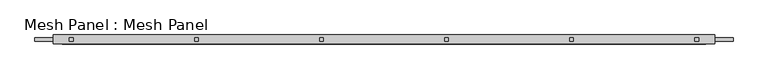
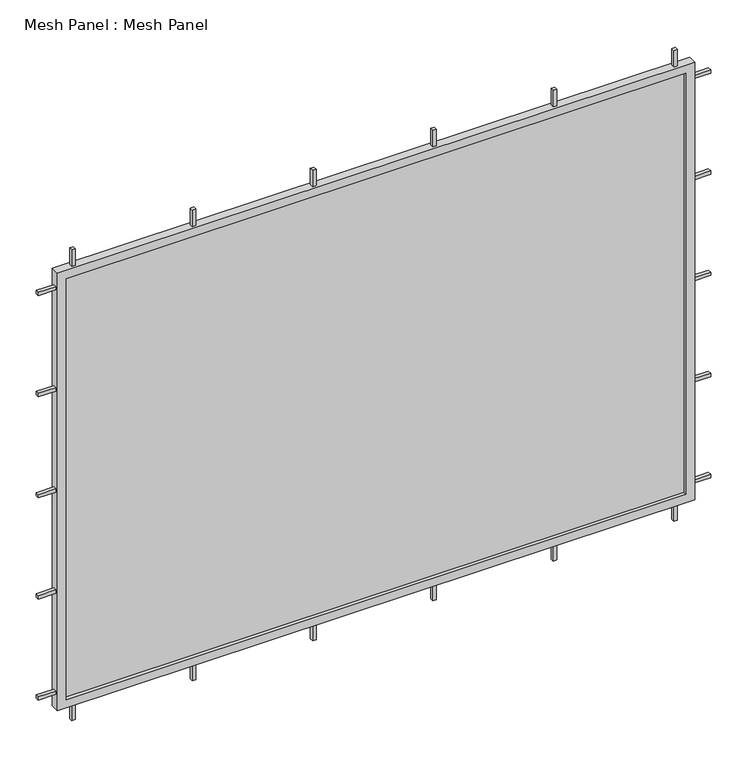
"""IFC4 building model written with IfcOpenShell, lengths in millimetres: plate geometry, Mesh Panel : Mesh Panel."""

from ifc_helpers import new_model, si_unit, frame, origin, origin_with_axes, place, context, project, spatial, polyline, outline, extrude, source, transform, mapped, element, save


def mesh_panel_mesh_panel_909ffc07(model_context):
    return source(origin(), model_context, "Body", "SweptSolid", [
        extrude(outline(polyline([(-856.9, 5.0), (-856.9, -5.0), (-866.9, -5.0), (-866.9, 5.0), (-856.9, 5.0)])), frame((0.0, 0.0, 1374.2), z_axis=(0.0, 0.0, 1.0), x_axis=(1.0, 0.0, 0.0)), (0.0, 0.0, 1.0), 50.0),
        extrude(outline(polyline([(-856.9, 5.0), (-856.9, -5.0), (-866.9, -5.0), (-866.9, 5.0), (-856.9, 5.0)])), origin_with_axes(), (0.0, 0.0, 1.0), 50.0),
        extrude(outline(polyline([(-512.14, 5.0), (-512.14, -5.0), (-522.14, -5.0), (-522.14, 5.0), (-512.14, 5.0)])), frame((0.0, 0.0, 1374.2), z_axis=(0.0, 0.0, 1.0), x_axis=(1.0, 0.0, 0.0)), (0.0, 0.0, 1.0), 50.0),
        extrude(outline(polyline([(-512.14, 5.0), (-512.14, -5.0), (-522.14, -5.0), (-522.14, 5.0), (-512.14, 5.0)])), origin_with_axes(), (0.0, 0.0, 1.0), 50.0),
        extrude(outline(polyline([(-167.38, 5.0), (-167.38, -5.0), (-177.38, -5.0), (-177.38, 5.0), (-167.38, 5.0)])), frame((0.0, 0.0, 1374.2), z_axis=(0.0, 0.0, 1.0), x_axis=(1.0, 0.0, 0.0)), (0.0, 0.0, 1.0), 50.0),
        extrude(outline(polyline([(-167.38, 5.0), (-167.38, -5.0), (-177.38, -5.0), (-177.38, 5.0), (-167.38, 5.0)])), origin_with_axes(), (0.0, 0.0, 1.0), 50.0),
        extrude(outline(polyline([(177.38, 5.0), (177.38, -5.0), (167.38, -5.0), (167.38, 5.0), (177.38, 5.0)])), frame((0.0, 0.0, 1374.2), z_axis=(0.0, 0.0, 1.0), x_axis=(1.0, 0.0, 0.0)), (0.0, 0.0, 1.0), 50.0),
        extrude(outline(polyline([(177.38, 5.0), (177.38, -5.0), (167.38, -5.0), (167.38, 5.0), (177.38, 5.0)])), origin_with_axes(), (0.0, 0.0, 1.0), 50.0),
        extrude(outline(polyline([(522.14, 5.0), (522.14, -5.0), (512.14, -5.0), (512.14, 5.0), (522.14, 5.0)])), frame((0.0, 0.0, 1374.2), z_axis=(0.0, 0.0, 1.0), x_axis=(1.0, 0.0, 0.0)), (0.0, 0.0, 1.0), 50.0),
        extrude(outline(polyline([(522.14, 5.0), (522.14, -5.0), (512.14, -5.0), (512.14, 5.0), (522.14, 5.0)])), origin_with_axes(), (0.0, 0.0, 1.0), 50.0),
        extrude(outline(polyline([(-961.9, -5.0), (-961.9, 5.0), (-911.9, 5.0), (-911.9, -5.0), (-961.9, -5.0)])), frame((0.0, 0.0, 1319.2), z_axis=(0.0, 0.0, 1.0), x_axis=(1.0, 0.0, 0.0)), (0.0, 0.0, 1.0), 10.0),
        extrude(outline(polyline([(911.9, -5.0), (911.9, 5.0), (961.9, 5.0), (961.9, -5.0), (911.9, -5.0)])), frame((0.0, 0.0, 1319.2), z_axis=(0.0, 0.0, 1.0), x_axis=(1.0, 0.0, 0.0)), (0.0, 0.0, 1.0), 10.0),
        extrude(outline(polyline([(-961.9, -5.0), (-961.9, 5.0), (-911.9, 5.0), (-911.9, -5.0), (-961.9, -5.0)])), frame((0.0, 0.0, 1013.15), z_axis=(0.0, 0.0, 1.0), x_axis=(1.0, 0.0, 0.0)), (0.0, 0.0, 1.0), 10.0),
        extrude(outline(polyline([(911.9, -5.0), (911.9, 5.0), (961.9, 5.0), (961.9, -5.0), (911.9, -5.0)])), frame((0.0, 0.0, 1013.15), z_axis=(0.0, 0.0, 1.0), x_axis=(1.0, 0.0, 0.0)), (0.0, 0.0, 1.0), 10.0),
        extrude(outline(polyline([(-961.9, -5.0), (-961.9, 5.0), (-911.9, 5.0), (-911.9, -5.0), (-961.9, -5.0)])), frame((0.0, 0.0, 707.1), z_axis=(0.0, 0.0, 1.0), x_axis=(1.0, 0.0, 0.0)), (0.0, 0.0, 1.0), 10.0),
        extrude(outline(polyline([(911.9, -5.0), (911.9, 5.0), (961.9, 5.0), (961.9, -5.0), (911.9, -5.0)])), frame((0.0, 0.0, 707.1), z_axis=(0.0, 0.0, 1.0), x_axis=(1.0, 0.0, 0.0)), (0.0, 0.0, 1.0), 10.0),
        extrude(outline(polyline([(-961.9, -5.0), (-961.9, 5.0), (-911.9, 5.0), (-911.9, -5.0), (-961.9, -5.0)])), frame((0.0, 0.0, 401.05), z_axis=(0.0, 0.0, 1.0), x_axis=(1.0, 0.0, 0.0)), (0.0, 0.0, 1.0), 10.0),
        extrude(outline(polyline([(911.9, -5.0), (911.9, 5.0), (961.9, 5.0), (961.9, -5.0), (911.9, -5.0)])), frame((0.0, 0.0, 401.05), z_axis=(0.0, 0.0, 1.0), x_axis=(1.0, 0.0, 0.0)), (0.0, 0.0, 1.0), 10.0),
        extrude(outline(polyline([(-961.9, -5.0), (-961.9, 5.0), (-911.9, 5.0), (-911.9, -5.0), (-961.9, -5.0)])), frame((0.0, 0.0, 95.0), z_axis=(0.0, 0.0, 1.0), x_axis=(1.0, 0.0, 0.0)), (0.0, 0.0, 1.0), 10.0),
        extrude(outline(polyline([(911.9, -5.0), (911.9, 5.0), (961.9, 5.0), (961.9, -5.0), (911.9, -5.0)])), frame((0.0, 0.0, 95.0), z_axis=(0.0, 0.0, 1.0), x_axis=(1.0, 0.0, 0.0)), (0.0, 0.0, 1.0), 10.0),
        extrude(outline(polyline([(866.9, 5.0), (866.9, -5.0), (856.9, -5.0), (856.9, 5.0), (866.9, 5.0)])), frame((0.0, 0.0, 1374.2), z_axis=(0.0, 0.0, 1.0), x_axis=(1.0, 0.0, 0.0)), (0.0, 0.0, 1.0), 50.0),
        extrude(outline(polyline([(866.9, 5.0), (866.9, -5.0), (856.9, -5.0), (856.9, 5.0), (866.9, 5.0)])), origin_with_axes(), (0.0, 0.0, 1.0), 50.0),
        extrude(outline(polyline([(886.9, -2.0), (-886.9, -2.0), (-886.9, 2.0), (886.9, 2.0), (886.9, -2.0)])), frame((0.0, 0.0, 75.0), z_axis=(0.0, 0.0, 1.0), x_axis=(1.0, 0.0, 0.0)), (0.0, 0.0, 1.0), 1274.2),
        extrude(outline(polyline([(50.0, -911.9), (50.0, 911.9), (1374.2, 911.9), (1374.2, -911.9), (50.0, -911.9)]), holes=[polyline([(1349.2, -886.9), (1349.2, 886.9), (75.0, 886.9), (75.0, -886.9), (1349.2, -886.9)])]), frame((0.0, -12.5, 0.0), z_axis=(0.0, 1.0, 0.0), x_axis=(0.0, 0.0, 1.0)), (0.0, 0.0, 1.0), 25.0),
    ])


if __name__ == "__main__":
    model = new_model("IFC4")
    model_context = context("Model", 3, world=origin())
    ifc_project = project(units=[si_unit("LENGTHUNIT", "METRE", prefix="MILLI")], contexts=[model_context])
    site = spatial("IfcSite", under=ifc_project)
    building = spatial("IfcBuilding", under=site)
    placement = place(None, origin())
    mesh_panel_mesh_panel_shape = mesh_panel_mesh_panel_909ffc07(model_context)
    element("IfcPlate", 1, ObjectType="Mesh Panel : Mesh Panel", at=placement, inside=building, context=model_context, shape_type="MappedRepresentation", body=[
        mapped(mesh_panel_mesh_panel_shape, transform((0.0, 0.0, 0.0), x_axis=(1.0, 0.0, 0.0), y_axis=(0.0, 1.0, 0.0), z_axis=(0.0, 0.0, 1.0))),
    ])
    save(model, "model.ifc")
